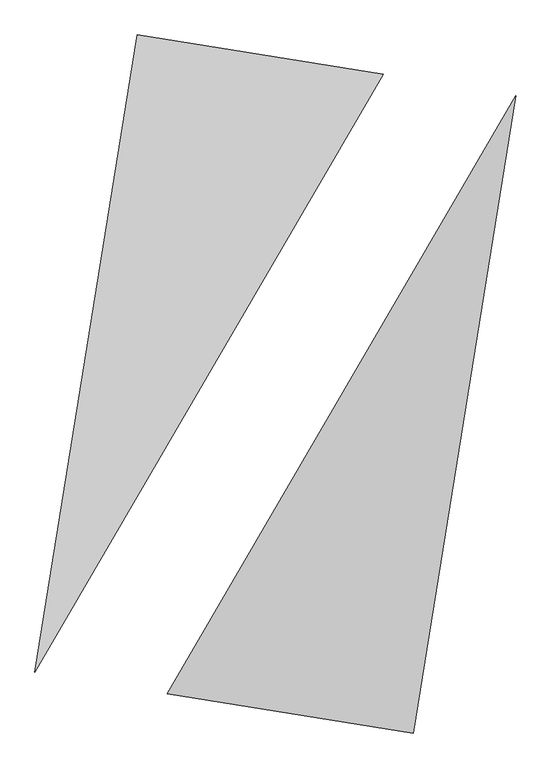
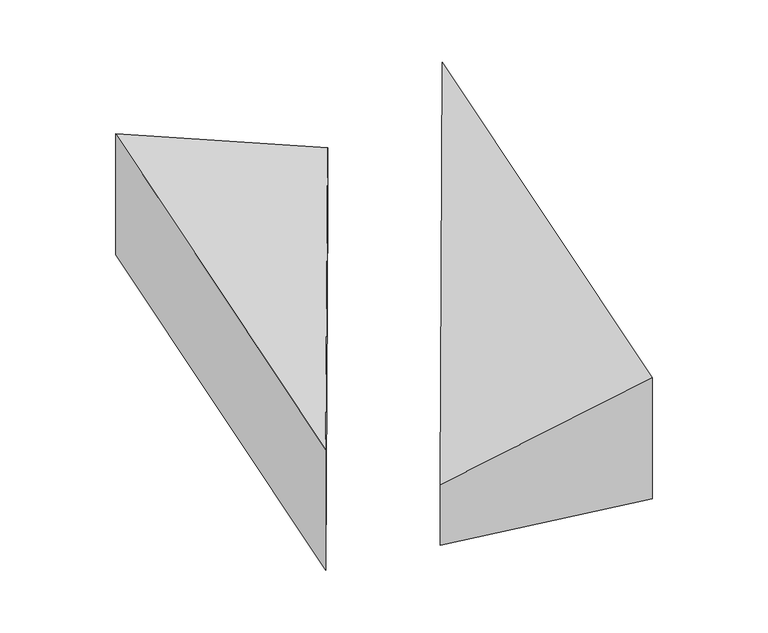
"""IFC4 building model written with IfcOpenShell, lengths in millimetres: proxy geometry."""

from ifc_helpers import new_model, si_unit, origin, place, context, project, spatial, faceted_brep, source, transform, mapped, element, save


def generic_models_f6665e2e(model_context):
    return source(origin(), model_context, "Body", "Brep", [
        faceted_brep([(668.2781314, 1918.4155967, 0.0), (-856.0170022, 2162.7277087, 0.0), (-856.0170022, 2162.7277087, 1000.0), (668.2781314, 1918.4155967, 500.0), (-1489.0524341, -1786.862921, 0.0), (-1489.0524341, -1786.862921, 1000.0)], [[[0, 1, 2, 3]], [[1, 4, 5, 2]], [[4, 0, 3, 5]], [[3, 2, 5]], [[0, 4, 1]]]),
        faceted_brep([(856.0170022, -2162.7277087, 0.0), (1489.0524341, 1786.862921, 0.0), (1489.0524341, 1786.862921, 1000.0), (856.0170022, -2162.7277087, 1000.0), (-668.2781314, -1918.4155967, 0.0), (-668.2781314, -1918.4155967, 500.0)], [[[0, 1, 2, 3]], [[1, 4, 5, 2]], [[4, 0, 3, 5]], [[2, 5, 3]], [[0, 4, 1]]]),
    ])


if __name__ == "__main__":
    model = new_model("IFC4")
    model_context = context("Model", 3, world=origin())
    ifc_project = project(units=[si_unit("LENGTHUNIT", "METRE", prefix="MILLI")], contexts=[model_context])
    site = spatial("IfcSite", under=ifc_project)
    building = spatial("IfcBuilding", under=site)
    placement = place(None, origin())
    generic_models_shape = generic_models_f6665e2e(model_context)
    element("IfcBuildingElementProxy", 1, Name="Generic Models", at=placement, inside=building, context=model_context, shape_type="MappedRepresentation", body=[
        mapped(generic_models_shape, transform((0.0, 0.0, 0.0), x_axis=(1.0, 0.0, 0.0), y_axis=(0.0, 1.0, 0.0), z_axis=(0.0, 0.0, 1.0))),
    ])
    save(model, "model.ifc")
